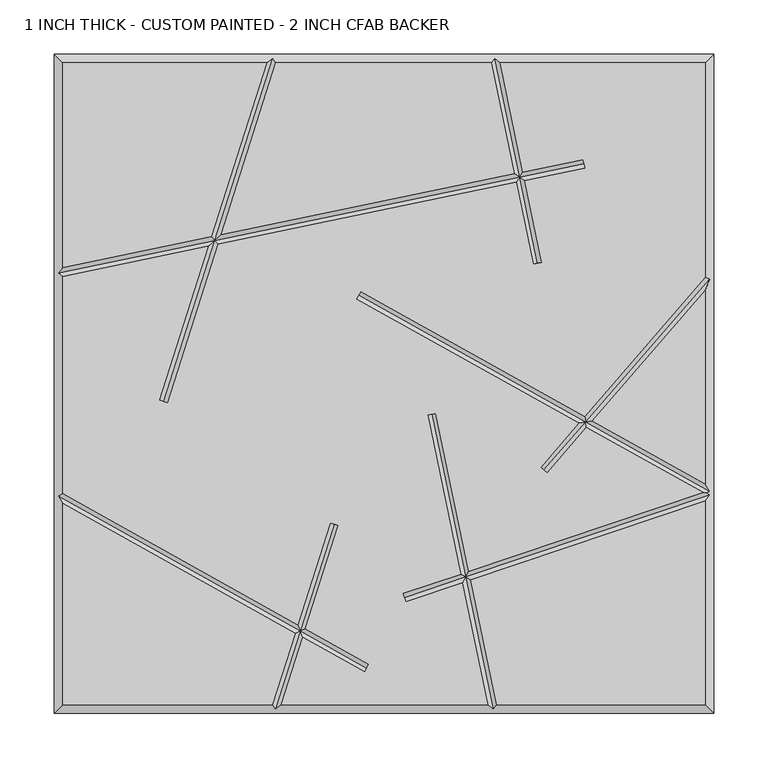
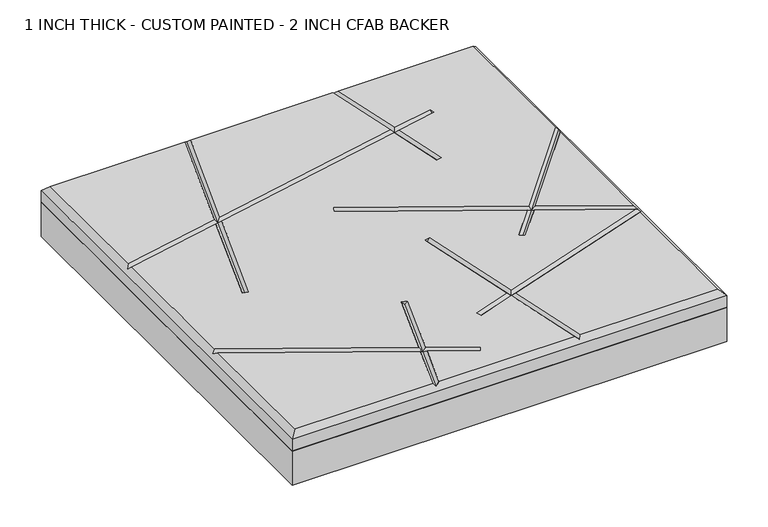
"""IFC4 building model written with IfcOpenShell, lengths in millimetres: proxy geometry, 1 INCH THICK - CUSTOM PAINTED - 2 INCH CFAB BACKER."""

from ifc_helpers import new_model, si_unit, frame, origin, place, context, project, spatial, polyline, outline, extrude, faceted_brep, source, transform, mapped, element, save


def proxy_1_inch_thick_custom_painted_2_inch_cfab_backer_00e8da1f(model_context):
    return source(origin(), model_context, "Body", "SolidModel", [
        extrude(outline(polyline([(-304.8, 304.8), (304.8, 304.8), (304.8, -304.8), (-304.8, -304.8), (-304.8, 304.8)])), frame((0.0, 0.0, -50.8), z_axis=(0.0, 0.0, 1.0), x_axis=(1.0, 0.0, 0.0)), (0.0, 0.0, 1.0), 50.8),
        faceted_brep([(-296.799, 296.799, 25.4), (-296.799, 107.3480638, 25.4), (-159.4586078, 135.8795502, 25.4), (-108.3391886, 296.799, 25.4), (296.799, -296.799, 25.4), (296.799, -108.5119669, 25.4), (80.0538834, -181.4165569, 25.4), (104.0237625, -296.799, 25.4), (-296.799, -110.6534853, 25.4), (-296.799, -296.799, 25.4), (-103.2558195, -296.799, 25.4), (-82.2134891, -230.5595886, 25.4), (184.2546922, 207.2835354, 25.4), (185.8820968, 199.4497907, 25.4), (129.9840642, 187.8373734, 25.4), (145.7029214, 112.1724049, 25.4), (137.8691767, 110.5450004, 25.4), (122.1503195, 186.2099688, 25.4), (-153.2498082, 128.9975577, 25.4), (-199.8388724, -17.6607318, 25.4), (-207.4643565, -15.2383377, 25.4), (-162.2379804, 127.130329, 25.4), (-296.799, 99.1762375, 25.4), (-296.799, -101.4881131, 25.4), (-79.7408339, -222.7758868, 25.4), (-49.8549585, -128.6977715, 25.4), (-42.2294744, -131.1201655, 25.4), (-72.6113646, -226.7596921, 25.4), (-13.9611021, -259.5322889, 25.4), (-17.8639294, -266.516839, 25.4), (-75.0840198, -234.5433938, 25.4), (-94.8608114, -296.799, 25.4), (95.8519362, -296.799, 25.4), (72.4157815, -183.985716, 25.4), (20.0037035, -201.6150916, 25.4), (17.4529106, -194.0315926, 25.4), (70.7766593, -176.0955667, 25.4), (40.2072869, -28.9455186, 25.4), (48.0410316, -27.318114, 25.4), (78.4147612, -173.5264076, 25.4), (294.9653156, -100.6872606, 25.4), (187.1012518, -40.4149733, 25.4), (150.6770336, -82.4732231, 25.4), (144.6288963, -77.2352812, 25.4), (179.9685456, -36.4293593, 25.4), (-25.4958806, 78.3800638, 25.4), (-21.5930534, 85.3646139, 25.4), (185.3175947, -30.2529291, 25.4), (296.799, 98.472217, 25.4), (296.799, 296.799, 25.4), (107.3480638, 296.799, 25.4), (128.3566596, 195.671118, 25.4), (-99.9441805, 296.799, 25.4), (-150.4704356, 137.7467788, 25.4), (120.522915, 194.0437135, 25.4), (99.1762375, 296.799, 25.4), (192.4503009, -34.238543, 25.4), (296.799, -92.5465147, 25.4), (296.799, 86.2506228, 25.4), (-304.8, 304.8, 0.0), (304.8, 304.8, 0.0), (304.8, -304.8, 0.0), (-304.8, -304.8, 0.0), (-304.8, -304.8, 17.399), (-304.8, 304.8, 17.399), (304.8, -304.8, 17.399), (304.8, 304.8, 17.399), (-102.8708423, 300.7995, 21.3995), (102.4310753, 300.7995, 21.3995), (-300.7995, -103.8353996, 21.3995), (-300.7995, 102.4310753, 21.3995), (100.7689247, -300.7995, 21.3995), (-100.3291577, -300.7995, 21.3995), (300.7995, 96.9807099, 21.3995), (300.7995, -99.3646004, 21.3995), (298.0563573, -100.9741346, 24.1426427), (300.7995, -102.9456119, 21.3995), (185.0683945, 203.3666631, 21.3995), (-156.354208, 132.4385539, 21.3995), (125.2534896, 190.9405434, 21.3995), (-203.6516145, -16.4495347, 21.3995), (141.7860491, 111.3587027, 21.3995), (-23.544467, 81.8723389, 21.3995), (186.2094232, -35.3339512, 21.3995), (147.652965, -79.8542522, 21.3995), (18.728307, -197.8233421, 21.3995), (75.4152713, -178.7560618, 21.3995), (-15.9125158, -263.0245639, 21.3995), (-77.4124268, -228.6596403, 21.3995), (-46.0422164, -129.9089685, 21.3995), (44.1241593, -28.1318163, 21.3995)], [[[0, 1, 2, 3]], [[4, 5, 6, 7]], [[8, 9, 10, 11]], [[12, 13, 14, 15, 16, 17, 18, 19, 20, 21, 22, 23, 24, 25, 26, 27, 28, 29, 30, 31, 32, 33, 34, 35, 36, 37, 38, 39, 40, 41, 42, 43, 44, 45, 46, 47, 48, 49, 50, 51]], [[52, 53, 54, 55]], [[56, 57, 58]], [[59, 60, 61, 62]], [[59, 62, 63, 64]], [[62, 61, 65, 63]], [[61, 60, 66, 65]], [[60, 59, 64, 66]], [[64, 0, 3, 67, 52, 55, 68, 50, 49, 66]], [[0, 64, 63, 9, 8, 69, 23, 22, 70, 1]], [[9, 63, 65, 4, 7, 71, 32, 31, 72, 10]], [[66, 49, 48, 73, 58, 57, 74, 75, 76, 5, 4, 65]], [[12, 77, 13]], [[1, 70, 78, 2]], [[77, 12, 51, 79]], [[53, 78, 79, 54]], [[70, 22, 21, 78]], [[13, 77, 79, 14]], [[78, 18, 17, 79]], [[19, 80, 20]], [[80, 19, 18, 78]], [[67, 78, 53, 52]], [[20, 80, 78, 21]], [[78, 67, 3, 2]], [[15, 81, 16]], [[81, 15, 14, 79]], [[68, 79, 51, 50]], [[16, 81, 79, 17]], [[79, 68, 55, 54]], [[45, 82, 46]], [[74, 57, 56, 83]], [[46, 82, 83, 47]], [[82, 45, 44, 83]], [[74, 83, 41, 40, 75]], [[42, 84, 43]], [[84, 42, 41, 83]], [[73, 83, 56, 58]], [[43, 84, 83, 44]], [[83, 73, 48, 47]], [[34, 85, 35]], [[5, 76, 86, 6]], [[85, 34, 33, 86]], [[76, 75, 40, 39, 86]], [[35, 85, 86, 36]], [[28, 87, 29]], [[23, 69, 88, 24]], [[87, 28, 27, 88]], [[69, 8, 11, 88]], [[29, 87, 88, 30]], [[25, 89, 26]], [[89, 25, 24, 88]], [[72, 88, 11, 10]], [[26, 89, 88, 27]], [[88, 72, 31, 30]], [[37, 90, 38]], [[90, 37, 36, 86]], [[71, 86, 33, 32]], [[38, 90, 86, 39]], [[86, 71, 7, 6]]]),
    ])


if __name__ == "__main__":
    model = new_model("IFC4")
    model_context = context("Model", 3, world=origin())
    ifc_project = project(units=[si_unit("LENGTHUNIT", "METRE", prefix="MILLI")], contexts=[model_context])
    site = spatial("IfcSite", under=ifc_project)
    building = spatial("IfcBuilding", under=site)
    placement = place(None, origin())
    proxy_1_inch_thick_custom_painted_2_inch_cfab_backer_shape = proxy_1_inch_thick_custom_painted_2_inch_cfab_backer_00e8da1f(model_context)
    element("IfcBuildingElementProxy", 1, Name="1 INCH THICK - CUSTOM PAINTED - 2 INCH CFAB BACKER", ObjectType="1 INCH THICK - CUSTOM PAINTED - 2 INCH CFAB BACKER", at=placement, inside=building, context=model_context, shape_type="MappedRepresentation", body=[
        mapped(proxy_1_inch_thick_custom_painted_2_inch_cfab_backer_shape, transform((0.0, 0.0, 0.0), x_axis=(1.0, 0.0, 0.0), y_axis=(0.0, 1.0, 0.0), z_axis=(0.0, 0.0, 1.0))),
    ])
    save(model, "model.ifc")
